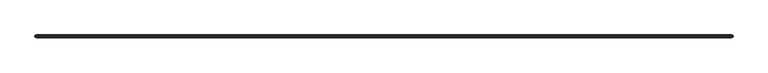
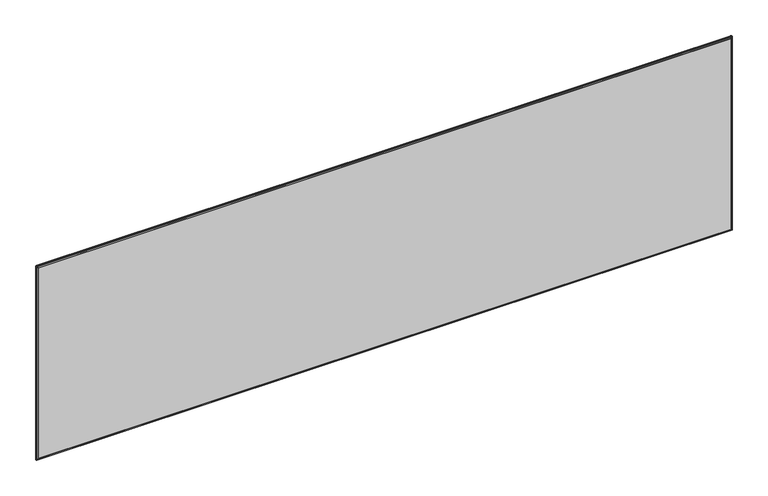
"""IFC4 building model written with IfcOpenShell, lengths in millimetres: furniture geometry."""

from ifc_helpers import new_model, si_unit, frame, origin, place, context, project, spatial, polyline, ellipse_curve, outline, extrude, source, transform, mapped, element, save
from ifc_brep_helpers import plane_surface, cylinder_surface, advanced_brep


def furniture_27e7789e(model_context):
    return source(origin(), model_context, "Body", "SolidModel", [
        advanced_brep(
        [(6.4770433, -35.9608478, 1121.3057029), (6.4770433, -42.3108478, 1121.3057029), (6.4770433, -42.3108478, 681.7486515), (6.4770433, -35.9608478, 681.7486515), (2.4130433, -39.7153692, 1123.3853891), (2.4130433, -38.5563263, 1123.3853891), (2.4130433, -38.5563263, 679.6689654), (2.4130433, -39.7153692, 679.6689654), (1517.5229567, -42.3108478, 681.7486515), (1517.5229567, -35.9608478, 681.7486515), (1519.6914783, -38.5563263, 677.6846515), (1519.6914783, -39.7153692, 677.6846515), (4.3085217, -39.7153692, 677.6846515), (4.3085217, -38.5563263, 677.6846515), (1517.5229567, -42.3108478, 1121.3057029), (1517.5229567, -35.9608478, 1121.3057029), (1521.5869567, -38.5563263, 1123.3853891), (1521.5869567, -39.7153692, 1123.3853891), (1521.5869567, -39.7153692, 679.6689654), (1521.5869567, -38.5563263, 679.6689654), (5.6165215, -42.3108478, 680.8881297), (1518.3834785, -42.3108478, 680.8881297), (1518.3834785, -42.3108478, 1122.1662247), (5.6165215, -42.3108478, 1122.1662247), (5.6165215, -35.9608478, 1122.1662247), (1518.3834785, -35.9608478, 1122.1662247), (1518.3834785, -35.9608478, 680.8881297), (5.6165215, -35.9608478, 680.8881297), (4.3085217, -38.5563263, 1125.3697029), (4.3085217, -39.7153692, 1125.3697029), (1519.6914783, -39.7153692, 1125.3697029), (1519.6914783, -38.5563263, 1125.3697029), (3.3646603, -37.0109079, 678.6362686), (3.3646603, -37.0109079, 1124.4180859), (2.9938046, -37.6131746, 678.2654128), (2.9938046, -37.6131746, 1124.7889416), (3.3646603, -41.2607877, 678.6362686), (3.3646603, -41.2607877, 1124.4180859), (2.9938046, -40.6585209, 1124.7889416), (2.9938046, -40.6585209, 678.2654128), (1520.6353397, -37.0109079, 678.6362686), (1521.0061954, -37.6131746, 678.2654128), (1520.6353397, -41.2607877, 678.6362686), (1521.0061954, -40.6585209, 678.2654128), (1520.6353397, -37.0109079, 1124.4180859), (1521.0061954, -37.6131746, 1124.7889416), (1520.6353397, -41.2607877, 1124.4180859), (1521.0061954, -40.6585209, 1124.7889416)],
        [
            (0, 1),
            (1, 2),
            (2, 3),
            (3, 0),
            (4, 5),
            (5, 6),
            (6, 7),
            (7, 4),
            (2, 8),
            (8, 9),
            (9, 3),
            (10, 11),
            (11, 12),
            (12, 13),
            (13, 10),
            (8, 14),
            (14, 15),
            (15, 9),
            (16, 17),
            (17, 18),
            (18, 19),
            (19, 16),
            (20, 21),
            (21, 22),
            (22, 23),
            (23, 20),
            (1, 14),
            (0, 15),
            (24, 25),
            (25, 26),
            (26, 27),
            (27, 24),
            (28, 29),
            (29, 30),
            (30, 31),
            (31, 28),
            (27, 32),
            (32, 33),
            (33, 24),
            (32, 34),
            (34, 6, ellipse_curve(frame((4.3994389, -35.3304359, 679.6689654), z_axis=(-0.8515131025137694, 0.5243333255166743, 0.0), x_axis=(0.5243333255166743, 0.8515131025137694, 0.0)), 3.7884214, 1.9863956)),
            (5, 35, ellipse_curve(frame((4.3994389, -35.3304359, 1123.3853891), z_axis=(-0.8515131025137694, 0.5243333255166743, 0.0), x_axis=(0.5243333255166743, 0.8515131025137694, 0.0)), 3.7884214, 1.9863956)),
            (35, 33),
            (36, 37),
            (37, 38),
            (38, 4, ellipse_curve(frame((4.3994389, -42.9412597, 1123.3853891), z_axis=(-0.8515131025143394, -0.5243333255157488, 0.0), x_axis=(-0.5243333255157488, 0.8515131025143393, 0.0)), 3.7884214, 1.9863956)),
            (7, 39, ellipse_curve(frame((4.3994389, -42.9412597, 679.6689654), z_axis=(-0.8515131025143394, -0.5243333255157488, 0.0), x_axis=(-0.5243333255157488, 0.8515131025143393, 0.0)), 3.7884214, 1.9863956)),
            (39, 36),
            (23, 37),
            (36, 20),
            (26, 40),
            (40, 32),
            (40, 41),
            (41, 10, ellipse_curve(frame((1519.6005611, -35.3338166, 679.6689654), z_axis=(0.0, 0.5243333255167163, -0.8515131025137436), x_axis=(0.0, 0.8515131025137437, 0.5243333255167162)), 3.7884214, 1.9863956)),
            (13, 34, ellipse_curve(frame((4.3994389, -35.3338166, 679.6689654), z_axis=(0.0, 0.5243333255167163, -0.8515131025137436), x_axis=(0.0, 0.8515131025137437, 0.5243333255167162)), 3.7884214, 1.9863956)),
            (42, 36),
            (39, 12, ellipse_curve(frame((4.3994389, -42.937879, 679.6689654), z_axis=(0.0, -0.5243333255157069, -0.8515131025143653), x_axis=(0.0, 0.8515131025143652, -0.524333325515707)), 3.7884214, 1.9863956)),
            (11, 43, ellipse_curve(frame((1519.6005611, -42.937879, 679.6689654), z_axis=(0.0, -0.5243333255157069, -0.8515131025143653), x_axis=(0.0, 0.8515131025143652, -0.524333325515707)), 3.7884214, 1.9863956)),
            (43, 42),
            (42, 21),
            (25, 44),
            (44, 40),
            (44, 45),
            (45, 16, ellipse_curve(frame((1519.6005611, -35.3304359, 1123.3853891), z_axis=(0.8515131025137694, 0.5243333255166743, 0.0), x_axis=(-0.5243333255166743, 0.8515131025137694, 0.0)), 3.7884214, 1.9863956)),
            (19, 41, ellipse_curve(frame((1519.6005611, -35.3304359, 679.6689654), z_axis=(0.8515131025137694, 0.5243333255166743, 0.0), x_axis=(-0.5243333255166743, 0.8515131025137694, 0.0)), 3.7884214, 1.9863956)),
            (46, 42),
            (43, 18, ellipse_curve(frame((1519.6005611, -42.9412597, 679.6689654), z_axis=(0.8515131025143394, -0.5243333255157488, 0.0), x_axis=(0.5243333255157488, 0.8515131025143393, 0.0)), 3.7884214, 1.9863956)),
            (17, 47, ellipse_curve(frame((1519.6005611, -42.9412597, 1123.3853891), z_axis=(0.8515131025143394, -0.5243333255157488, 0.0), x_axis=(0.5243333255157488, 0.8515131025143393, 0.0)), 3.7884214, 1.9863956)),
            (47, 46),
            (46, 22),
            (33, 44),
            (35, 28, ellipse_curve(frame((4.3994389, -35.3338166, 1123.3853891), z_axis=(0.0, 0.5243333255166324, 0.8515131025137953), x_axis=(0.0, 0.8515131025137953, -0.5243333255166324)), 3.7884214, 1.9863956)),
            (31, 45, ellipse_curve(frame((1519.6005611, -35.3338166, 1123.3853891), z_axis=(0.0, 0.5243333255166324, 0.8515131025137953), x_axis=(0.0, 0.8515131025137953, -0.5243333255166324)), 3.7884214, 1.9863956)),
            (37, 46),
            (47, 30, ellipse_curve(frame((1519.6005611, -42.937879, 1123.3853891), z_axis=(0.0, -0.5243333255157908, 0.8515131025143136), x_axis=(0.0, 0.8515131025143136, 0.5243333255157908)), 3.7884214, 1.9863956)),
            (29, 38, ellipse_curve(frame((4.3994389, -42.937879, 1123.3853891), z_axis=(0.0, -0.5243333255157908, 0.8515131025143136), x_axis=(0.0, 0.8515131025143136, 0.5243333255157908)), 3.7884214, 1.9863956)),
        ],
        [
            plane_surface(frame((6.4770433, -42.3108478, 1121.3057029), z_axis=(1.0, 0.0, 0.0), x_axis=(0.0, 0.0, -1.0))),
            plane_surface(frame((2.4130433, -38.5563263, 1125.3697029), z_axis=(-1.0, 0.0, 0.0), x_axis=(0.0, 0.0, -1.0))),
            plane_surface(frame((6.4770433, -42.3108478, 681.7486515), z_axis=(0.0, 0.0, 1.0), x_axis=(1.0, 0.0, 0.0))),
            plane_surface(frame((2.4130433, -38.5563263, 677.6846515), z_axis=(0.0, 0.0, -1.0), x_axis=(1.0, 0.0, 0.0))),
            plane_surface(frame((1517.5229567, -42.3108478, 681.7486515), z_axis=(-1.0, 0.0, 0.0), x_axis=(0.0, 0.0, 1.0))),
            plane_surface(frame((1521.5869567, -38.5563263, 677.6846515), z_axis=(1.0, 0.0, 0.0), x_axis=(0.0, 0.0, 1.0))),
            plane_surface(frame((1518.3834785, -42.3108478, 1122.1662247), z_axis=(0.0, -1.0, 0.0), x_axis=(-1.0, 0.0, 0.0))),
            plane_surface(frame((1517.5229567, -42.3108478, 1121.3057029), z_axis=(0.0, 0.0, -1.0), x_axis=(-1.0, 0.0, 0.0))),
            plane_surface(frame((1517.5229567, -35.9608478, 1121.3057029), z_axis=(0.0, 1.0, 0.0), x_axis=(-1.0, 0.0, 0.0))),
            plane_surface(frame((1521.5869567, -38.5563263, 1125.3697029), z_axis=(0.0, 0.0, 1.0), x_axis=(-1.0, 0.0, 0.0))),
            plane_surface(frame((5.6165215, -35.9608478, 1122.1662247), z_axis=(-0.4226182617407205, 0.9063077870366402, 0.0), x_axis=(0.0, 0.0, -1.0))),
            plane_surface(frame((3.3646603, -37.0109079, 1124.4180859), z_axis=(-0.8515131025137694, 0.5243333255166743, 0.0), x_axis=(0.0, 0.0, -1.0))),
            plane_surface(frame((2.4130433, -39.7153692, 1125.3697029), z_axis=(-0.8515131025143394, -0.5243333255157488, 0.0), x_axis=(0.0, 0.0, -1.0))),
            plane_surface(frame((3.3646603, -41.2607877, 1124.4180859), z_axis=(-0.42261826174118133, -0.9063077870364253, 0.0), x_axis=(0.0, 0.0, -1.0))),
            plane_surface(frame((5.6165215, -35.9608478, 680.8881297), z_axis=(0.0, 0.906307787036661, -0.42261826174067574), x_axis=(1.0, 0.0, 0.0))),
            plane_surface(frame((3.3646603, -37.0109079, 678.6362686), z_axis=(0.0, 0.5243333255167163, -0.8515131025137436), x_axis=(1.0, 0.0, 0.0))),
            plane_surface(frame((2.4130433, -39.7153692, 677.6846515), z_axis=(0.0, -0.5243333255157069, -0.8515131025143653), x_axis=(1.0, 0.0, 0.0))),
            plane_surface(frame((3.3646603, -41.2607877, 678.6362686), z_axis=(0.0, -0.9063077870364045, -0.4226182617412261), x_axis=(1.0, 0.0, 0.0))),
            plane_surface(frame((1518.3834785, -35.9608478, 680.8881297), z_axis=(0.4226182617407205, 0.9063077870366402, 0.0), x_axis=(0.0, 0.0, 1.0))),
            plane_surface(frame((1520.6353397, -37.0109079, 678.6362686), z_axis=(0.8515131025137694, 0.5243333255166743, 0.0), x_axis=(0.0, 0.0, 1.0))),
            plane_surface(frame((1521.5869567, -39.7153692, 677.6846515), z_axis=(0.8515131025143394, -0.5243333255157488, 0.0), x_axis=(0.0, 0.0, 1.0))),
            plane_surface(frame((1520.6353397, -41.2607877, 678.6362686), z_axis=(0.42261826174118133, -0.9063077870364253, 0.0), x_axis=(0.0, 0.0, 1.0))),
            plane_surface(frame((1518.3834785, -35.9608478, 1122.1662247), z_axis=(0.0, 0.9063077870366193, 0.4226182617407652), x_axis=(-1.0, 0.0, 0.0))),
            plane_surface(frame((1520.6353397, -37.0109079, 1124.4180859), z_axis=(0.0, 0.5243333255166324, 0.8515131025137953), x_axis=(-1.0, 0.0, 0.0))),
            plane_surface(frame((1521.5869567, -39.7153692, 1125.3697029), z_axis=(0.0, -0.5243333255157908, 0.8515131025143136), x_axis=(-1.0, 0.0, 0.0))),
            plane_surface(frame((1520.6353397, -41.2607877, 1124.4180859), z_axis=(0.0, -0.9063077870364462, 0.4226182617411366), x_axis=(-1.0, 0.0, 0.0))),
            cylinder_surface(frame((4.3994389, -30.0426452, 1123.3853891), z_axis=(0.0, 1.0, 0.0), x_axis=(1.0, 0.0, 0.0)), 1.9863956),
            cylinder_surface(frame((1519.6005611, -30.0426452, 1123.3853891), z_axis=(0.0, 1.0, 0.0), x_axis=(-1.0, 0.0, 0.0)), 1.9863956),
            cylinder_surface(frame((1519.6005611, -30.0426452, 679.6689654), z_axis=(0.0, 1.0, 0.0), x_axis=(-1.0, 0.0, 0.0)), 1.9863956),
            cylinder_surface(frame((4.3994389, -30.0426452, 679.6689654), z_axis=(0.0, 1.0, 0.0), x_axis=(1.0, 0.0, 0.0)), 1.9863956),
        ],
        [
            (0, [[1, 2, 3, 4]]),
            (1, [[5, 6, 7, 8]]),
            (2, [[-3, 9, 10, 11]]),
            (3, [[12, 13, 14, 15]]),
            (4, [[-10, 16, 17, 18]]),
            (5, [[19, 20, 21, 22]]),
            (6, [[23, 24, 25, 26], [-2, 27, -16, -9]]),
            (7, [[-1, 28, -17, -27]]),
            (8, [[29, 30, 31, 32], [-4, -11, -18, -28]]),
            (9, [[33, 34, 35, 36]]),
            (10, [[-32, 37, 38, 39]]),
            (11, [[-38, 40, 41, -6, 42, 43]]),
            (12, [[44, 45, 46, -8, 47, 48]]),
            (13, [[-26, 49, -44, 50]]),
            (14, [[-31, 51, 52, -37]]),
            (15, [[-52, 53, 54, -15, 55, -40]]),
            (16, [[56, -48, 57, -13, 58, 59]]),
            (17, [[-23, -50, -56, 60]]),
            (18, [[-30, 61, 62, -51]]),
            (19, [[-62, 63, 64, -22, 65, -53]]),
            (20, [[66, -59, 67, -20, 68, 69]]),
            (21, [[-24, -60, -66, 70]]),
            (22, [[-29, -39, 71, -61]]),
            (23, [[-71, -43, 72, -36, 73, -63]]),
            (24, [[74, -69, 75, -34, 76, -45]]),
            (25, [[-25, -70, -74, -49]]),
            (26, [[-5, -46, -76, -33, -72, -42]]),
            (27, [[-19, -64, -73, -35, -75, -68]]),
            (28, [[-12, -54, -65, -21, -67, -58]]),
            (29, [[-7, -41, -55, -14, -57, -47]]),
        ],
    ),
        extrude(outline(polyline([(1517.5229567, -42.3108478), (6.4770433, -42.3108478), (6.4770433, -35.9608478), (1517.5229567, -35.9608478), (1517.5229567, -42.3108478)])), frame((0.0, 0.0, 681.7486515), z_axis=(0.0, 0.0, 1.0), x_axis=(1.0, 0.0, 0.0)), (0.0, 0.0, 1.0), 439.5570514),
    ])


if __name__ == "__main__":
    model = new_model("IFC4")
    model_context = context("Model", 3, world=origin())
    ifc_project = project(units=[si_unit("LENGTHUNIT", "METRE", prefix="MILLI")], contexts=[model_context])
    site = spatial("IfcSite", under=ifc_project)
    building = spatial("IfcBuilding", under=site)
    placement = place(None, origin())
    furniture_shape = furniture_27e7789e(model_context)
    element("IfcFurniture", 1, at=placement, inside=building, context=model_context, shape_type="MappedRepresentation", body=[
        mapped(furniture_shape, transform((0.0, 0.0, 0.0), x_axis=(1.0, 0.0, 0.0), y_axis=(0.0, 1.0, 0.0), z_axis=(0.0, 0.0, 1.0))),
    ])
    save(model, "model.ifc")
